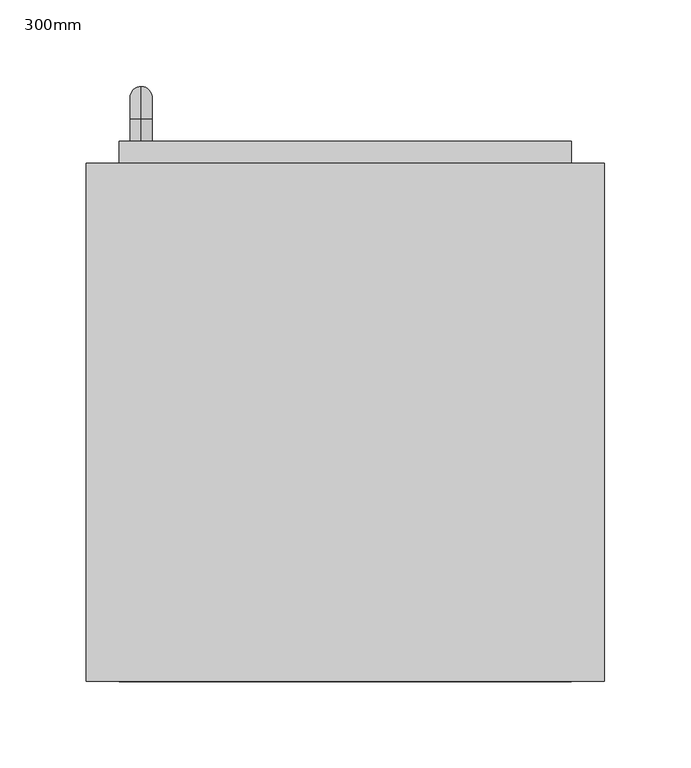
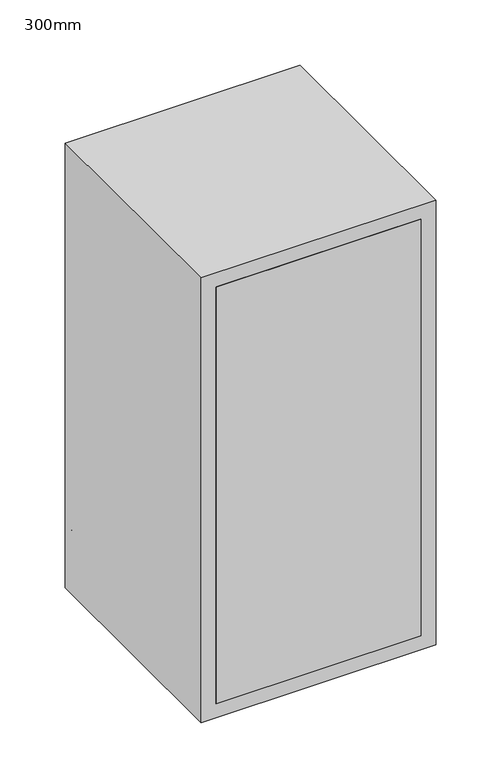
"""IFC4 building model written with IfcOpenShell, lengths in millimetres: furniture geometry, 300mm."""

import ifcopenshell
import ifcopenshell.guid

model = None  # the IFC model being written
_history = None  # IfcOwnerHistory: only IFC2X3 demands one
_inside = {}  # id of a spatial element -> (the spatial element, [elements in it])
_under = {}  # id of a project, library or spatial element -> (it, [spatial elements below it])
_declared = {}  # id of a project -> (the project, [libraries it declares])
_typed = {}  # id of a type object -> (the type object, [elements of that type])
_made_of = {}  # id of a material, layer set ... -> (it, [elements and type objects made of it])


def new_model(schema):
    """Start an empty IFC model of exactly this schema.

    Asked for "IFC4X3", IfcOpenShell would pick the latest addendum, in which some entities
    have other attributes; the version numbers below select the first issue.
    IFC2X3 requires an IfcOwnerHistory on every rooted entity: one is made here for all.
    """
    global model, _history
    if schema == "IFC4X3":
        model = ifcopenshell.file(schema_version=(4, 3, 0, 0))
    else:
        model = ifcopenshell.file(schema=schema)
    _inside.clear()
    _under.clear()
    _declared.clear()
    _typed.clear()
    _made_of.clear()
    _history = None
    if model.schema == "IFC2X3":
        org = make("IfcOrganization", Name="unknown")
        user = make(
            "IfcPersonAndOrganization",
            ThePerson=make("IfcPerson", FamilyName="unknown"),
            TheOrganization=org,
        )
        app = make(
            "IfcApplication",
            ApplicationDeveloper=org,
            Version="unknown",
            ApplicationFullName="unknown",
            ApplicationIdentifier="unknown",
        )
        _history = make(
            "IfcOwnerHistory",
            OwningUser=user,
            OwningApplication=app,
            ChangeAction="ADDED",
            CreationDate=0,
        )
    return model


def make(cls, **values):
    """One entity of the class cls with the attributes given. An attribute that is None is left unset."""
    return model.create_entity(
        cls, **{name: value for name, value in values.items() if value is not None}
    )


def rooted(cls, **values):
    """An entity with a GlobalId (a new one), such as an element, a storey or a relation."""
    return make(cls, GlobalId=ifcopenshell.guid.new(), OwnerHistory=_history, **values)


def si_unit(unit_type, name, prefix=None):
    """IfcSIUnit, for example si_unit("LENGTHUNIT", "METRE", prefix="MILLI")."""
    return make("IfcSIUnit", UnitType=unit_type, Prefix=prefix, Name=name)


def assignment(units):
    """IfcUnitAssignment: the units of a project."""
    return None if units is None else make("IfcUnitAssignment", Units=units)


def point(xyz):
    """IfcCartesianPoint."""
    return None if xyz is None else make("IfcCartesianPoint", Coordinates=xyz)


def direction(xyz):
    """IfcDirection."""
    return None if xyz is None else make("IfcDirection", DirectionRatios=xyz)


def frame(location, z_axis=None, x_axis=None):
    """IfcAxis2Placement3D, a coordinate frame: its origin and axes. An axis left out is left unset."""
    return make(
        "IfcAxis2Placement3D",
        Location=point(location),
        Axis=direction(z_axis),
        RefDirection=direction(x_axis),
    )


def origin():
    """The frame at (0, 0, 0) with its axes left unset."""
    return frame((0.0, 0.0, 0.0))


def place(relative_to, where):
    """IfcLocalPlacement: puts the frame where relative to a parent placement (None: the world)."""
    return make(
        "IfcLocalPlacement", PlacementRelTo=relative_to, RelativePlacement=where
    )


def context(
    kind, dimensions, precision=None, world=None, true_north=None, identifier=None
):
    """IfcGeometricRepresentationContext, for example the 3D "Model" context."""
    return make(
        "IfcGeometricRepresentationContext",
        ContextIdentifier=identifier,
        ContextType=kind,
        CoordinateSpaceDimension=dimensions,
        Precision=precision,
        WorldCoordinateSystem=world,
        TrueNorth=true_north,
    )


def project(units=None, contexts=None):
    """IfcProject with its units and contexts."""
    return rooted(
        "IfcProject",
        Name="project",
        RepresentationContexts=contexts,
        UnitsInContext=assignment(units),
    )


def spatial(cls, under=None, at=None, **own):
    """A site, building, storey or space (cls), placed at a placement, below another one or the project."""
    s = rooted(cls, ObjectPlacement=at, **own)
    if under is not None:
        _under.setdefault(under.id(), (under, []))[1].append(s)
    return s


def polyline(points):
    """IfcPolyline through the points."""
    return make("IfcPolyline", Points=[point(p) for p in points])


def circle_curve(where, radius):
    """IfcCircle in the frame where."""
    return make("IfcCircle", Position=where, Radius=radius)


def ellipse_curve(where, semi_axis1, semi_axis2):
    """IfcEllipse in the frame where."""
    return make(
        "IfcEllipse", Position=where, SemiAxis1=semi_axis1, SemiAxis2=semi_axis2
    )


def trimmed(basis, trim1, trim2, sense, master):
    """IfcTrimmedCurve: the piece of a basis curve between two trims."""
    return make(
        "IfcTrimmedCurve",
        BasisCurve=basis,
        Trim1=trim1,
        Trim2=trim2,
        SenseAgreement=sense,
        MasterRepresentation=master,
    )


def outline(outer, holes=None, kind="AREA"):
    """IfcArbitraryClosedProfileDef: a profile drawn as a closed curve; with holes, ...WithVoids."""
    if holes is None:
        return make("IfcArbitraryClosedProfileDef", ProfileType=kind, OuterCurve=outer)
    return make(
        "IfcArbitraryProfileDefWithVoids",
        ProfileType=kind,
        OuterCurve=outer,
        InnerCurves=holes,
    )


def extrude(swept, where, along, depth):
    """IfcExtrudedAreaSolid: the profile swept, set in the frame where, extruded along a direction by depth."""
    return make(
        "IfcExtrudedAreaSolid",
        SweptArea=swept,
        Position=where,
        ExtrudedDirection=direction(along),
        Depth=depth,
    )


def shape(context_of_items, identifier, shape_type, items):
    """IfcShapeRepresentation: the items that make up one representation, for example the "Body"."""
    return make(
        "IfcShapeRepresentation",
        ContextOfItems=context_of_items,
        RepresentationIdentifier=identifier,
        RepresentationType=shape_type,
        Items=items,
    )


def source(mapping_origin, context_of_items, identifier, shape_type, items):
    """IfcRepresentationMap: a shape defined once, which mapped items show again and again."""
    return make(
        "IfcRepresentationMap",
        MappingOrigin=mapping_origin,
        MappedRepresentation=shape(context_of_items, identifier, shape_type, items),
    )


def transform(
    local_origin,
    x_axis=None,
    y_axis=None,
    z_axis=None,
    scale=None,
    scale2=None,
    scale3=None,
    uniform=True,
):
    """IfcCartesianTransformationOperator3D, or its non-uniform kind. x_axis, y_axis, z_axis: its Axis1, 2, 3."""
    if uniform:
        return make(
            "IfcCartesianTransformationOperator3D",
            Axis1=direction(x_axis),
            Axis2=direction(y_axis),
            LocalOrigin=point(local_origin),
            Scale=scale,
            Axis3=direction(z_axis),
        )
    return make(
        "IfcCartesianTransformationOperator3DnonUniform",
        Axis1=direction(x_axis),
        Axis2=direction(y_axis),
        LocalOrigin=point(local_origin),
        Scale=scale,
        Axis3=direction(z_axis),
        Scale2=scale2,
        Scale3=scale3,
    )


def mapped(mapping_source, mapping_target):
    """IfcMappedItem: shows the shape of a source again, moved by a transform."""
    return make(
        "IfcMappedItem", MappingSource=mapping_source, MappingTarget=mapping_target
    )


def made_of(thing, what):
    """Note that an element or type object is made of a material, layer set ...; save() writes the relation."""
    if what is not None:
        _made_of.setdefault(what.id(), (what, []))[1].append(thing)
    return thing


def element(
    cls,
    number,
    at=None,
    inside=None,
    cuts=None,
    type_object=None,
    material=None,
    context=None,
    identifier="Body",
    shape_type=None,
    held_by="IfcProductDefinitionShape",
    body=None,
    shapes=None,
    **own,
):
    """One element of the class cls, such as IfcWall. Its Tag is "e" and its number.

    at: its placement. inside: the storey or other place that contains it. cuts: it is an
    opening in that element (IfcRelVoidsElement). A single representation is given by context,
    identifier, shape_type and body (its items); several are given by shapes. held_by: the class
    of the entity that holds the representations. save() writes the other relations.
    """
    e = rooted(cls, Tag="e%d" % number, ObjectPlacement=at, **own)
    if body is not None:
        shapes = [shape(context, identifier, shape_type, body)]
    if shapes is not None:
        e.Representation = make(held_by, Representations=shapes)
    if inside is not None:
        _inside.setdefault(inside.id(), (inside, []))[1].append(e)
    if cuts is not None:
        rooted(
            "IfcRelVoidsElement", RelatingBuildingElement=cuts, RelatedOpeningElement=e
        )
    if type_object is not None:
        _typed.setdefault(type_object.id(), (type_object, []))[1].append(e)
    return made_of(e, material)


def aggregate(whole, parts):
    """IfcRelAggregates: a whole, such as a stair, and the parts it consists of."""
    return rooted("IfcRelAggregates", RelatingObject=whole, RelatedObjects=parts)


def save(model, path):
    """Write the relations noted so far, then the file.

    IfcRelAggregates (storeys below a building ...), IfcRelContainedInSpatialStructure (elements
    in a storey), IfcRelDefinesByType, IfcRelAssociatesMaterial and IfcRelDeclares: one each for
    every whole, place, type object, material and project.
    """
    for whole, parts in _under.values():
        aggregate(whole, parts)
    for where, things in _inside.values():
        rooted(
            "IfcRelContainedInSpatialStructure",
            RelatedElements=things,
            RelatingStructure=where,
        )
    for kind, things in _typed.values():
        rooted("IfcRelDefinesByType", RelatedObjects=things, RelatingType=kind)
    for what, things in _made_of.values():
        rooted("IfcRelAssociatesMaterial", RelatedObjects=things, RelatingMaterial=what)
    for by, libraries in _declared.values():
        rooted("IfcRelDeclares", RelatingContext=by, RelatedDefinitions=libraries)
    model.write(path)


def plane_surface(at):
    """IfcPlane: the flat surface through the origin of the frame at, square to its z axis."""
    return make("IfcPlane", Position=at)


def cylinder_surface(at, radius):
    """IfcCylindricalSurface: all points at the distance radius from the z axis of the frame at."""
    return make("IfcCylindricalSurface", Position=at, Radius=radius)


def revolved_surface(curve, axis_point, axis_direction):
    """IfcSurfaceOfRevolution: the curve turned about the line through axis_point along axis_direction."""
    return make(
        "IfcSurfaceOfRevolution",
        SweptCurve=make("IfcArbitraryOpenProfileDef", ProfileType="CURVE", Curve=curve),
        AxisPosition=make("IfcAxis1Placement", Location=point(axis_point), Axis=direction(axis_direction)),
    )


def advanced_brep(points, edges, surfaces, faces):
    """IfcAdvancedBrep: a solid bounded by faces that lie on surfaces and meet in shared edges.

    An edge is (start, end): straight between two places in points (the first is 0);
    or (start, end, curve); or (start, end, curve, False) where it runs against its curve.
    A face is (place in surfaces, loops), or (place, loops, False) where it looks against
    its surface's normal. A loop lists edges by number (the first is 1), with a minus sign
    where the edge is run from its end to its start. The first loop is the outer one.
    """
    corners = [point(p) for p in points]
    vertices = [make("IfcVertexPoint", VertexGeometry=c) for c in corners]
    made = []
    for start, end, *more in edges:
        made.append(
            make(
                "IfcEdgeCurve",
                EdgeStart=vertices[start],
                EdgeEnd=vertices[end],
                EdgeGeometry=more[0] if more else make("IfcPolyline", Points=[corners[start], corners[end]]),
                SameSense=more[1] if len(more) > 1 else True,
            )
        )
    hull = []
    for where, loops, *sense in faces:
        bounds = []
        for j, loop in enumerate(loops):
            ring = [make("IfcOrientedEdge", EdgeElement=made[abs(k) - 1], Orientation=k > 0) for k in loop]
            bounds.append(
                make(
                    "IfcFaceOuterBound" if j == 0 else "IfcFaceBound",
                    Bound=make("IfcEdgeLoop", EdgeList=ring),
                    Orientation=True,
                )
            )
        hull.append(make("IfcAdvancedFace", Bounds=bounds, FaceSurface=surfaces[where], SameSense=sense[0] if sense else True))
    return make("IfcAdvancedBrep", Outer=make("IfcClosedShell", CfsFaces=hull))


def furniture_300mm_b0da5541(model_context):
    return source(origin(), model_context, "Body", "SolidModel", [
        advanced_brep(
        [(-88.4788372, 412.7, 1546.05), (-88.4788372, 412.7, 1558.75), (-88.4788372, 425.4, 1546.05), (-88.4788372, 425.4, 1558.75), (-88.4788372, 444.45, 1539.7), (-88.4788372, 431.75, 1539.7), (-88.4788372, 431.75, 1463.5), (-88.4788372, 444.45, 1463.5), (-88.4788372, 425.4, 1444.45), (-88.4788372, 425.4, 1457.15), (-88.4788372, 412.7, 1457.15), (-88.4788372, 412.7, 1444.45)],
        [
            (0, 1, circle_curve(frame((-88.4788372, 412.7, 1552.4), z_axis=(0.0, -1.0, 0.0), x_axis=(0.0, 0.0, 1.0)), 6.35)),
            (1, 0, circle_curve(frame((-88.4788372, 412.7, 1552.4), z_axis=(0.0, -1.0, 0.0), x_axis=(0.0, 0.0, 1.0)), 6.35)),
            (0, 2),
            (2, 3, circle_curve(frame((-88.4788372, 425.4, 1552.4), z_axis=(0.0, -1.0, 0.0), x_axis=(0.0, 0.0, 1.0)), 6.35)),
            (3, 1),
            (3, 2, circle_curve(frame((-88.4788372, 425.4, 1552.4), z_axis=(0.0, -1.0, 0.0), x_axis=(0.0, 0.0, 1.0)), 6.35)),
            (4, 3, circle_curve(frame((-88.4788372, 425.4, 1539.7), z_axis=(1.0, 0.0, 0.0), x_axis=(0.0, 0.0, 1.0)), 19.05)),
            (2, 5, circle_curve(frame((-88.4788372, 425.4, 1539.7), z_axis=(-1.0, 0.0, 0.0), x_axis=(0.0, 0.0, 1.0)), 6.35)),
            (5, 4, circle_curve(frame((-88.4788372, 438.1, 1539.7), z_axis=(0.0, 0.0, 1.0), x_axis=(0.0, 1.0, 0.0)), 6.35)),
            (4, 5, circle_curve(frame((-88.4788372, 438.1, 1539.7), z_axis=(0.0, 0.0, 1.0), x_axis=(0.0, 1.0, 0.0)), 6.35)),
            (5, 6),
            (6, 7, circle_curve(frame((-88.4788372, 438.1, 1463.5), z_axis=(0.0, 0.0, 1.0), x_axis=(0.0, 1.0, 0.0)), 6.35)),
            (7, 4),
            (7, 6, circle_curve(frame((-88.4788372, 438.1, 1463.5), z_axis=(0.0, 0.0, 1.0), x_axis=(0.0, 1.0, 0.0)), 6.35)),
            (8, 7, circle_curve(frame((-88.4788372, 425.4, 1463.5), z_axis=(1.0, 0.0, 0.0), x_axis=(0.0, 1.0, 0.0)), 19.05)),
            (6, 9, circle_curve(frame((-88.4788372, 425.4, 1463.5), z_axis=(-1.0, 0.0, 0.0), x_axis=(0.0, 1.0, 0.0)), 6.35)),
            (9, 8, circle_curve(frame((-88.4788372, 425.4, 1450.8), z_axis=(0.0, 1.0, 0.0), x_axis=(0.0, 0.0, -1.0)), 6.35)),
            (8, 9, circle_curve(frame((-88.4788372, 425.4, 1450.8), z_axis=(0.0, 1.0, 0.0), x_axis=(0.0, 0.0, -1.0)), 6.35)),
            (10, 11, circle_curve(frame((-88.4788372, 412.7, 1450.8), z_axis=(0.0, -1.0, 0.0), x_axis=(0.0, 0.0, -1.0)), 6.35)),
            (11, 10, circle_curve(frame((-88.4788372, 412.7, 1450.8), z_axis=(0.0, -1.0, 0.0), x_axis=(0.0, 0.0, -1.0)), 6.35)),
            (9, 10),
            (11, 8),
        ],
        [
            plane_surface(frame((-94.8288372, 412.7, 1552.4), z_axis=(0.0, -1.0, 0.0), x_axis=(0.0, 0.0, 1.0))),
            cylinder_surface(frame((-88.4788372, 412.7, 1552.4), z_axis=(0.0, -1.0, 0.0), x_axis=(0.0, 0.0, 1.0)), 6.35),
            revolved_surface(trimmed(ellipse_curve(frame((-88.4788372, 425.4, 1552.4), z_axis=(0.0, -1.0, 0.0), x_axis=(0.0, 0.0, 1.0)), 6.35, 6.35), [point((-88.4788372, 425.4, 1546.05))], [point((-88.4788372, 425.4, 1558.75))], True, "CARTESIAN"), (-88.4788372, 425.4, 1539.7), (-1.0, 0.0, 0.0)),
            revolved_surface(trimmed(ellipse_curve(frame((-88.4788372, 425.4, 1552.4), z_axis=(0.0, -1.0, 0.0), x_axis=(0.0, 0.0, 1.0)), 6.35, 6.35), [point((-88.4788372, 425.4, 1558.75))], [point((-88.4788372, 425.4, 1546.05))], True, "CARTESIAN"), (-88.4788372, 425.4, 1539.7), (-1.0, 0.0, 0.0)),
            cylinder_surface(frame((-88.4788372, 438.1, 1539.7), z_axis=(0.0, 0.0, 1.0), x_axis=(0.0, 1.0, 0.0)), 6.35),
            revolved_surface(trimmed(ellipse_curve(frame((-88.4788372, 438.1, 1463.5), z_axis=(0.0, 0.0, 1.0), x_axis=(0.0, 1.0, 0.0)), 6.35, 6.35), [point((-88.4788372, 431.75, 1463.5))], [point((-88.4788372, 444.45, 1463.5))], True, "CARTESIAN"), (-88.4788372, 425.4, 1463.5), (-1.0, 0.0, 0.0)),
            revolved_surface(trimmed(ellipse_curve(frame((-88.4788372, 438.1, 1463.5), z_axis=(0.0, 0.0, 1.0), x_axis=(0.0, 1.0, 0.0)), 6.35, 6.35), [point((-88.4788372, 444.45, 1463.5))], [point((-88.4788372, 431.75, 1463.5))], True, "CARTESIAN"), (-88.4788372, 425.4, 1463.5), (-1.0, 0.0, 0.0)),
            plane_surface(frame((-94.8288372, 412.7, 1450.8), z_axis=(0.0, -1.0, 0.0), x_axis=(0.0, 0.0, -1.0))),
            cylinder_surface(frame((-88.4788372, 425.4, 1450.8), z_axis=(0.0, 1.0, 0.0), x_axis=(0.0, 0.0, -1.0)), 6.35),
        ],
        [
            (0, [[1, 2]]),
            (1, [[-1, 3, 4, 5]]),
            (1, [[-2, -5, 6, -3]]),
            (2, [[7, -4, 8, 9]]),
            (3, [[-8, -6, -7, 10]]),
            (4, [[-9, 11, 12, 13]]),
            (4, [[-10, -13, 14, -11]]),
            (5, [[15, -12, 16, 17]]),
            (6, [[-16, -14, -15, 18]]),
            (7, [[19, 20]]),
            (8, [[-17, 21, -20, 22]]),
            (8, [[-18, -22, -19, -21]]),
        ],
    ),
        extrude(outline(polyline([(-101.1788372, 412.7), (160.7211628, 412.7), (160.7211628, 380.95), (-101.1788372, 380.95), (-101.1788372, 412.7)])), frame((0.0, 0.0, 1419.05), z_axis=(0.0, 0.0, 1.0), x_axis=(1.0, 0.0, 0.0)), (0.0, 0.0, 1.0), 561.9),
        extrude(outline(polyline([(160.7211628, 100.0), (-101.1788372, 100.0), (-101.1788372, 119.05), (160.7211628, 119.05), (160.7211628, 100.0)])), frame((0.0, 0.0, 1419.05), z_axis=(0.0, 0.0, 1.0), x_axis=(1.0, 0.0, 0.0)), (0.0, 0.0, 1.0), 561.9),
        extrude(outline(polyline([(2000.0, -120.2288372), (1400.0, -120.2288372), (1400.0, 179.7711628), (2000.0, 179.7711628), (2000.0, -120.2288372)]), holes=[polyline([(1980.95, -101.1788372), (1980.95, 160.7211628), (1419.05, 160.7211628), (1419.05, -101.1788372), (1980.95, -101.1788372)])]), frame((0.0, 100.0, 0.0), z_axis=(0.0, 1.0, 0.0), x_axis=(0.0, 0.0, 1.0)), (0.0, 0.0, 1.0), 300.0),
    ])


if __name__ == "__main__":
    model = new_model("IFC4")
    model_context = context("Model", 3, world=origin())
    ifc_project = project(units=[si_unit("LENGTHUNIT", "METRE", prefix="MILLI")], contexts=[model_context])
    site = spatial("IfcSite", under=ifc_project)
    building = spatial("IfcBuilding", under=site)
    placement = place(None, origin())
    furniture_300mm_shape = furniture_300mm_b0da5541(model_context)
    element("IfcFurniture", 1, ObjectType="300mm", at=placement, inside=building, context=model_context, shape_type="MappedRepresentation", body=[
        mapped(furniture_300mm_shape, transform((0.0, 0.0, 0.0), x_axis=(1.0, 0.0, 0.0), y_axis=(0.0, 1.0, 0.0), z_axis=(0.0, 0.0, 1.0))),
    ])
    save(model, "model.ifc")
